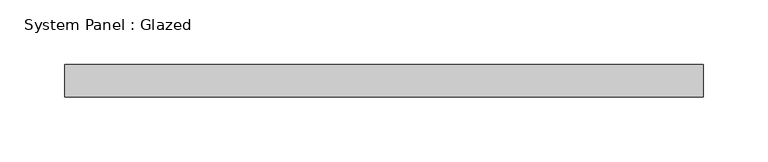
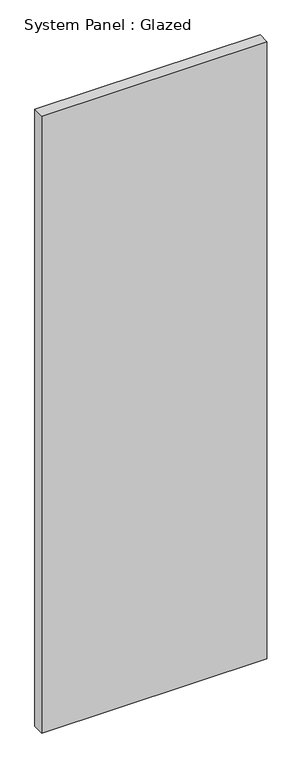
"""IFC4 building model written with IfcOpenShell, lengths in millimetres: plate geometry, System Panel : Glazed."""

from ifc_helpers import new_model, si_unit, origin, origin_with_axes, place, context, project, spatial, polyline, outline, extrude, source, transform, mapped, element, save


def system_panel_glazed_d6f7f2d9(model_context):
    return source(origin(), model_context, "Body", "SweptSolid", [
        extrude(outline(polyline([(247.65, 0.0), (-247.65, 0.0), (-247.65, 25.4), (247.65, 25.4), (247.65, 0.0)])), origin_with_axes(), (0.0, 0.0, 1.0), 1435.1),
    ])


if __name__ == "__main__":
    model = new_model("IFC4")
    model_context = context("Model", 3, world=origin())
    ifc_project = project(units=[si_unit("LENGTHUNIT", "METRE", prefix="MILLI")], contexts=[model_context])
    site = spatial("IfcSite", under=ifc_project)
    building = spatial("IfcBuilding", under=site)
    placement = place(None, origin())
    system_panel_glazed_shape = system_panel_glazed_d6f7f2d9(model_context)
    element("IfcPlate", 1, ObjectType="System Panel : Glazed", at=placement, inside=building, context=model_context, shape_type="MappedRepresentation", body=[
        mapped(system_panel_glazed_shape, transform((0.0, 0.0, 0.0), x_axis=(1.0, 0.0, 0.0), y_axis=(0.0, 1.0, 0.0), z_axis=(0.0, 0.0, 1.0))),
    ])
    save(model, "model.ifc")
